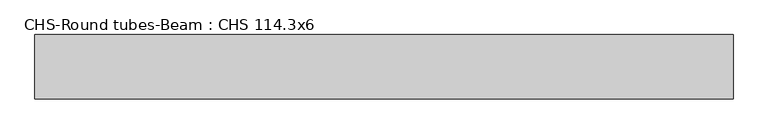
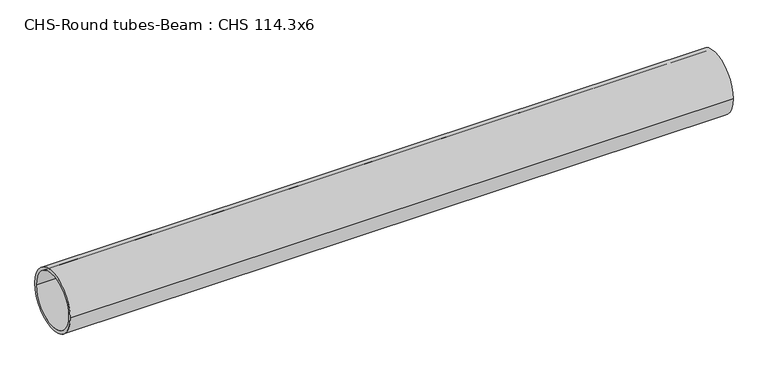
"""IFC4 building model written with IfcOpenShell, lengths in millimetres: beam geometry, CHS-Round tubes-Beam : CHS 114.3x6."""

from ifc_helpers import new_model, si_unit, point, frame, origin, origin_2d, place, context, project, spatial, circle_curve, trimmed, segment, composite_curve, outline, extrude, source, transform, mapped, element, save


def chs_round_tubes_beam_chs_114_3x6_bbd3cf98(model_context):
    return source(origin(), model_context, "Body", "SweptSolid", [
        extrude(outline(composite_curve([segment(trimmed(circle_curve(origin_2d(), 57.15), [point((57.15, 0.0))], [point((-57.15, 0.0))], False, "CARTESIAN"), True, "CONTINUOUS"), segment(trimmed(circle_curve(origin_2d(), 57.15), [point((-57.15, 0.0))], [point((57.15, 0.0))], False, "CARTESIAN"), True, "CONTINUOUS")], self_intersect=False), holes=[composite_curve([segment(trimmed(circle_curve(origin_2d(), 51.15), [point((51.15, 0.0))], [point((-51.15, 0.0))], True, "CARTESIAN"), True, "CONTINUOUS"), segment(trimmed(circle_curve(origin_2d(), 51.15), [point((-51.15, 0.0))], [point((51.15, 0.0))], True, "CARTESIAN"), True, "CONTINUOUS")], self_intersect=False)]), frame((-619.397088, 0.0, 0.0), z_axis=(1.0, 0.0, 0.0), x_axis=(0.0, 1.0, 0.0)), (0.0, 0.0, 1.0), 1238.7132266),
    ])


if __name__ == "__main__":
    model = new_model("IFC4")
    model_context = context("Model", 3, world=origin())
    ifc_project = project(units=[si_unit("LENGTHUNIT", "METRE", prefix="MILLI")], contexts=[model_context])
    site = spatial("IfcSite", under=ifc_project)
    building = spatial("IfcBuilding", under=site)
    placement = place(None, origin())
    chs_round_tubes_beam_chs_114_3x6_shape = chs_round_tubes_beam_chs_114_3x6_bbd3cf98(model_context)
    element("IfcBeam", 1, ObjectType="CHS-Round tubes-Beam : CHS 114.3x6", at=placement, inside=building, context=model_context, shape_type="MappedRepresentation", body=[
        mapped(chs_round_tubes_beam_chs_114_3x6_shape, transform((0.0, 0.0, 0.0), x_axis=(1.0, 0.0, 0.0), y_axis=(0.0, 1.0, 0.0), z_axis=(0.0, 0.0, 1.0))),
    ])
    save(model, "model.ifc")
